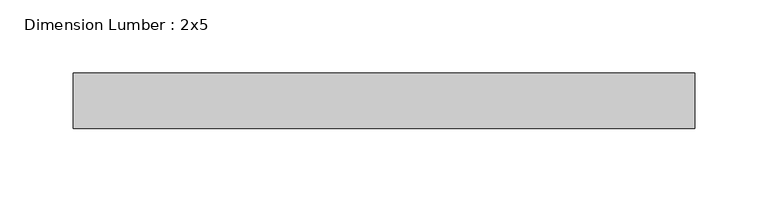
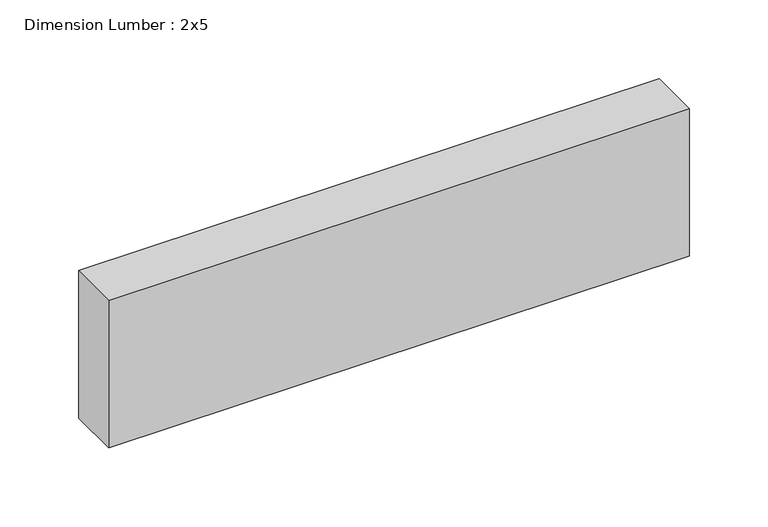
"""IFC4 building model written with IfcOpenShell, lengths in millimetres: beam geometry, Dimension Lumber : 2x5."""

import ifcopenshell
import ifcopenshell.guid

model = None  # the IFC model being written
_history = None  # IfcOwnerHistory: only IFC2X3 demands one
_inside = {}  # id of a spatial element -> (the spatial element, [elements in it])
_under = {}  # id of a project, library or spatial element -> (it, [spatial elements below it])
_declared = {}  # id of a project -> (the project, [libraries it declares])
_typed = {}  # id of a type object -> (the type object, [elements of that type])
_made_of = {}  # id of a material, layer set ... -> (it, [elements and type objects made of it])


def new_model(schema):
    """Start an empty IFC model of exactly this schema.

    Asked for "IFC4X3", IfcOpenShell would pick the latest addendum, in which some entities
    have other attributes; the version numbers below select the first issue.
    IFC2X3 requires an IfcOwnerHistory on every rooted entity: one is made here for all.
    """
    global model, _history
    if schema == "IFC4X3":
        model = ifcopenshell.file(schema_version=(4, 3, 0, 0))
    else:
        model = ifcopenshell.file(schema=schema)
    _inside.clear()
    _under.clear()
    _declared.clear()
    _typed.clear()
    _made_of.clear()
    _history = None
    if model.schema == "IFC2X3":
        org = make("IfcOrganization", Name="unknown")
        user = make(
            "IfcPersonAndOrganization",
            ThePerson=make("IfcPerson", FamilyName="unknown"),
            TheOrganization=org,
        )
        app = make(
            "IfcApplication",
            ApplicationDeveloper=org,
            Version="unknown",
            ApplicationFullName="unknown",
            ApplicationIdentifier="unknown",
        )
        _history = make(
            "IfcOwnerHistory",
            OwningUser=user,
            OwningApplication=app,
            ChangeAction="ADDED",
            CreationDate=0,
        )
    return model


def make(cls, **values):
    """One entity of the class cls with the attributes given. An attribute that is None is left unset."""
    return model.create_entity(
        cls, **{name: value for name, value in values.items() if value is not None}
    )


def rooted(cls, **values):
    """An entity with a GlobalId (a new one), such as an element, a storey or a relation."""
    return make(cls, GlobalId=ifcopenshell.guid.new(), OwnerHistory=_history, **values)


def si_unit(unit_type, name, prefix=None):
    """IfcSIUnit, for example si_unit("LENGTHUNIT", "METRE", prefix="MILLI")."""
    return make("IfcSIUnit", UnitType=unit_type, Prefix=prefix, Name=name)


def assignment(units):
    """IfcUnitAssignment: the units of a project."""
    return None if units is None else make("IfcUnitAssignment", Units=units)


def point(xyz):
    """IfcCartesianPoint."""
    return None if xyz is None else make("IfcCartesianPoint", Coordinates=xyz)


def direction(xyz):
    """IfcDirection."""
    return None if xyz is None else make("IfcDirection", DirectionRatios=xyz)


def frame(location, z_axis=None, x_axis=None):
    """IfcAxis2Placement3D, a coordinate frame: its origin and axes. An axis left out is left unset."""
    return make(
        "IfcAxis2Placement3D",
        Location=point(location),
        Axis=direction(z_axis),
        RefDirection=direction(x_axis),
    )


def origin():
    """The frame at (0, 0, 0) with its axes left unset."""
    return frame((0.0, 0.0, 0.0))


def place(relative_to, where):
    """IfcLocalPlacement: puts the frame where relative to a parent placement (None: the world)."""
    return make(
        "IfcLocalPlacement", PlacementRelTo=relative_to, RelativePlacement=where
    )


def context(
    kind, dimensions, precision=None, world=None, true_north=None, identifier=None
):
    """IfcGeometricRepresentationContext, for example the 3D "Model" context."""
    return make(
        "IfcGeometricRepresentationContext",
        ContextIdentifier=identifier,
        ContextType=kind,
        CoordinateSpaceDimension=dimensions,
        Precision=precision,
        WorldCoordinateSystem=world,
        TrueNorth=true_north,
    )


def project(units=None, contexts=None):
    """IfcProject with its units and contexts."""
    return rooted(
        "IfcProject",
        Name="project",
        RepresentationContexts=contexts,
        UnitsInContext=assignment(units),
    )


def spatial(cls, under=None, at=None, **own):
    """A site, building, storey or space (cls), placed at a placement, below another one or the project."""
    s = rooted(cls, ObjectPlacement=at, **own)
    if under is not None:
        _under.setdefault(under.id(), (under, []))[1].append(s)
    return s


def polyline(points):
    """IfcPolyline through the points."""
    return make("IfcPolyline", Points=[point(p) for p in points])


def outline(outer, holes=None, kind="AREA"):
    """IfcArbitraryClosedProfileDef: a profile drawn as a closed curve; with holes, ...WithVoids."""
    if holes is None:
        return make("IfcArbitraryClosedProfileDef", ProfileType=kind, OuterCurve=outer)
    return make(
        "IfcArbitraryProfileDefWithVoids",
        ProfileType=kind,
        OuterCurve=outer,
        InnerCurves=holes,
    )


def extrude(swept, where, along, depth):
    """IfcExtrudedAreaSolid: the profile swept, set in the frame where, extruded along a direction by depth."""
    return make(
        "IfcExtrudedAreaSolid",
        SweptArea=swept,
        Position=where,
        ExtrudedDirection=direction(along),
        Depth=depth,
    )


def shape(context_of_items, identifier, shape_type, items):
    """IfcShapeRepresentation: the items that make up one representation, for example the "Body"."""
    return make(
        "IfcShapeRepresentation",
        ContextOfItems=context_of_items,
        RepresentationIdentifier=identifier,
        RepresentationType=shape_type,
        Items=items,
    )


def source(mapping_origin, context_of_items, identifier, shape_type, items):
    """IfcRepresentationMap: a shape defined once, which mapped items show again and again."""
    return make(
        "IfcRepresentationMap",
        MappingOrigin=mapping_origin,
        MappedRepresentation=shape(context_of_items, identifier, shape_type, items),
    )


def transform(
    local_origin,
    x_axis=None,
    y_axis=None,
    z_axis=None,
    scale=None,
    scale2=None,
    scale3=None,
    uniform=True,
):
    """IfcCartesianTransformationOperator3D, or its non-uniform kind. x_axis, y_axis, z_axis: its Axis1, 2, 3."""
    if uniform:
        return make(
            "IfcCartesianTransformationOperator3D",
            Axis1=direction(x_axis),
            Axis2=direction(y_axis),
            LocalOrigin=point(local_origin),
            Scale=scale,
            Axis3=direction(z_axis),
        )
    return make(
        "IfcCartesianTransformationOperator3DnonUniform",
        Axis1=direction(x_axis),
        Axis2=direction(y_axis),
        LocalOrigin=point(local_origin),
        Scale=scale,
        Axis3=direction(z_axis),
        Scale2=scale2,
        Scale3=scale3,
    )


def mapped(mapping_source, mapping_target):
    """IfcMappedItem: shows the shape of a source again, moved by a transform."""
    return make(
        "IfcMappedItem", MappingSource=mapping_source, MappingTarget=mapping_target
    )


def made_of(thing, what):
    """Note that an element or type object is made of a material, layer set ...; save() writes the relation."""
    if what is not None:
        _made_of.setdefault(what.id(), (what, []))[1].append(thing)
    return thing


def element(
    cls,
    number,
    at=None,
    inside=None,
    cuts=None,
    type_object=None,
    material=None,
    context=None,
    identifier="Body",
    shape_type=None,
    held_by="IfcProductDefinitionShape",
    body=None,
    shapes=None,
    **own,
):
    """One element of the class cls, such as IfcWall. Its Tag is "e" and its number.

    at: its placement. inside: the storey or other place that contains it. cuts: it is an
    opening in that element (IfcRelVoidsElement). A single representation is given by context,
    identifier, shape_type and body (its items); several are given by shapes. held_by: the class
    of the entity that holds the representations. save() writes the other relations.
    """
    e = rooted(cls, Tag="e%d" % number, ObjectPlacement=at, **own)
    if body is not None:
        shapes = [shape(context, identifier, shape_type, body)]
    if shapes is not None:
        e.Representation = make(held_by, Representations=shapes)
    if inside is not None:
        _inside.setdefault(inside.id(), (inside, []))[1].append(e)
    if cuts is not None:
        rooted(
            "IfcRelVoidsElement", RelatingBuildingElement=cuts, RelatedOpeningElement=e
        )
    if type_object is not None:
        _typed.setdefault(type_object.id(), (type_object, []))[1].append(e)
    return made_of(e, material)


def aggregate(whole, parts):
    """IfcRelAggregates: a whole, such as a stair, and the parts it consists of."""
    return rooted("IfcRelAggregates", RelatingObject=whole, RelatedObjects=parts)


def save(model, path):
    """Write the relations noted so far, then the file.

    IfcRelAggregates (storeys below a building ...), IfcRelContainedInSpatialStructure (elements
    in a storey), IfcRelDefinesByType, IfcRelAssociatesMaterial and IfcRelDeclares: one each for
    every whole, place, type object, material and project.
    """
    for whole, parts in _under.values():
        aggregate(whole, parts)
    for where, things in _inside.values():
        rooted(
            "IfcRelContainedInSpatialStructure",
            RelatedElements=things,
            RelatingStructure=where,
        )
    for kind, things in _typed.values():
        rooted("IfcRelDefinesByType", RelatedObjects=things, RelatingType=kind)
    for what, things in _made_of.values():
        rooted("IfcRelAssociatesMaterial", RelatedObjects=things, RelatingMaterial=what)
    for by, libraries in _declared.values():
        rooted("IfcRelDeclares", RelatingContext=by, RelatedDefinitions=libraries)
    model.write(path)


def dimension_lumber_2x5_0eb90c0e(model_context):
    return source(origin(), model_context, "Body", "SweptSolid", [
        extrude(outline(polyline([(212.7271305, 19.05), (212.7271305, -19.05), (-212.3340849, -19.05), (-212.3340849, 19.05), (212.7271305, 19.05)])), frame((0.0, 0.0, -57.15), z_axis=(0.0, 0.0, 1.0), x_axis=(1.0, 0.0, 0.0)), (0.0, 0.0, 1.0), 114.3),
    ])


if __name__ == "__main__":
    model = new_model("IFC4")
    model_context = context("Model", 3, world=origin())
    ifc_project = project(units=[si_unit("LENGTHUNIT", "METRE", prefix="MILLI")], contexts=[model_context])
    site = spatial("IfcSite", under=ifc_project)
    building = spatial("IfcBuilding", under=site)
    placement = place(None, origin())
    dimension_lumber_2x5_shape = dimension_lumber_2x5_0eb90c0e(model_context)
    element("IfcBeam", 1, ObjectType="Dimension Lumber : 2x5", at=placement, inside=building, context=model_context, shape_type="MappedRepresentation", body=[
        mapped(dimension_lumber_2x5_shape, transform((0.0, 0.0, 0.0), x_axis=(1.0, 0.0, 0.0), y_axis=(0.0, 1.0, 0.0), z_axis=(0.0, 0.0, 1.0))),
    ])
    save(model, "model.ifc")
